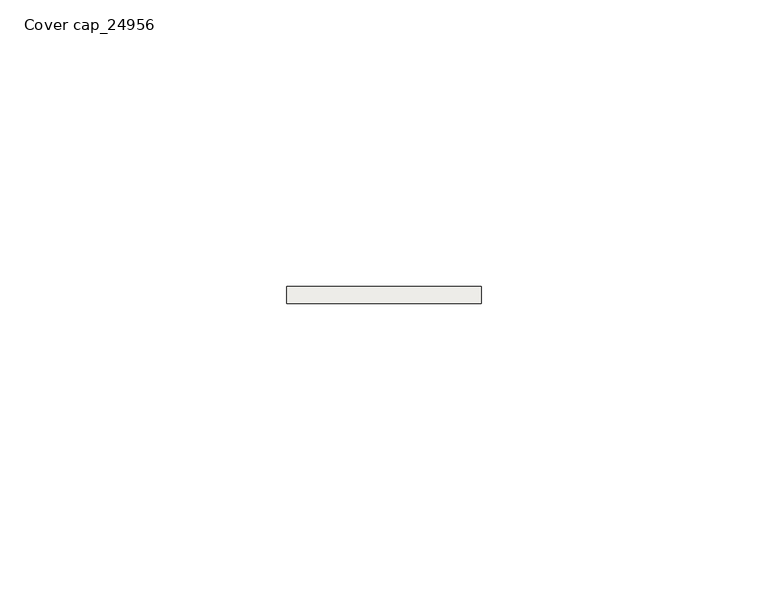
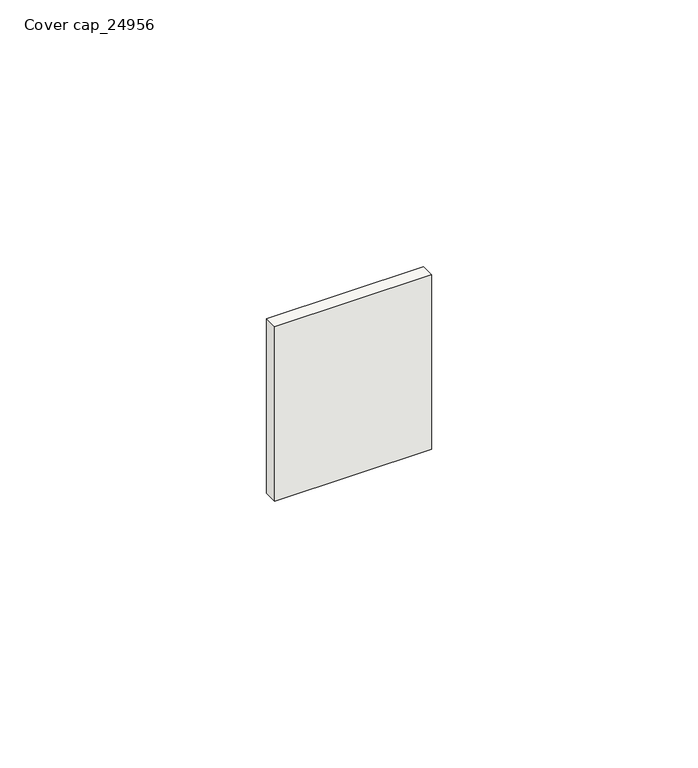
"""IFC4 building model written with IfcOpenShell, lengths in millimetres: covering geometry, Cover cap_24956."""

from ifc_helpers import new_model, si_unit, frame, origin, place, context, project, spatial, polyline, outline, extrude, source, transform, mapped, element, save


def cover_cap_24956_c61e0c48(model_context):
    return source(origin(), model_context, "Body", "SweptSolid", [
        extrude(outline(polyline([(34.0, 0.0), (0.0, 0.0), (0.0, 3.0), (34.0, 3.0), (34.0, 0.0)])), frame((0.0, 0.0, -2.0), z_axis=(0.0, 0.0, 1.0), x_axis=(1.0, 0.0, 0.0)), (0.0, 0.0, 1.0), 40.0),
    ])


if __name__ == "__main__":
    model = new_model("IFC4")
    model_context = context("Model", 3, world=origin())
    ifc_project = project(units=[si_unit("LENGTHUNIT", "METRE", prefix="MILLI")], contexts=[model_context])
    site = spatial("IfcSite", under=ifc_project)
    building = spatial("IfcBuilding", under=site)
    placement = place(None, origin())
    cover_cap_24956_shape = cover_cap_24956_c61e0c48(model_context)
    element("IfcCovering", 1, ObjectType="Cover cap_24956", at=placement, inside=building, context=model_context, shape_type="MappedRepresentation", body=[
        mapped(cover_cap_24956_shape, transform((0.0, 0.0, 0.0), x_axis=(1.0, 0.0, 0.0), y_axis=(0.0, 1.0, 0.0), z_axis=(0.0, 0.0, 1.0))),
    ])
    save(model, "model.ifc")
